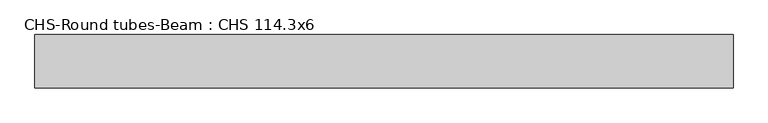
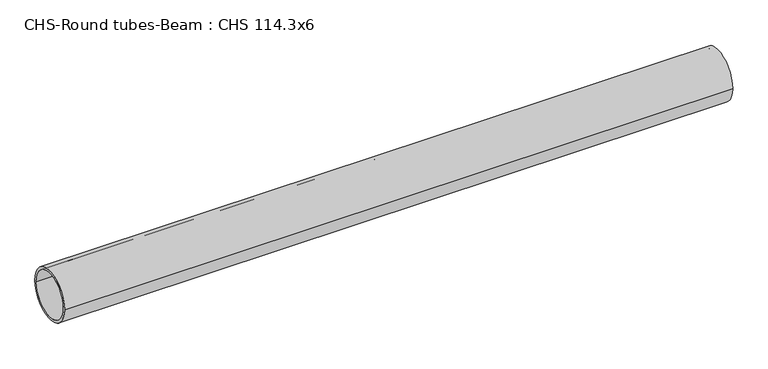
"""IFC4 building model written with IfcOpenShell, lengths in millimetres: beam geometry, CHS-Round tubes-Beam : CHS 114.3x6."""

from ifc_helpers import new_model, si_unit, point, frame, origin, origin_2d, place, context, project, spatial, circle_curve, trimmed, segment, composite_curve, outline, extrude, source, transform, mapped, element, save


def chs_round_tubes_beam_chs_114_3x6_5e2e6fdc(model_context):
    return source(origin(), model_context, "Body", "SweptSolid", [
        extrude(outline(composite_curve([segment(trimmed(circle_curve(origin_2d(), 57.15), [point((57.15, 0.0))], [point((-57.15, 0.0))], False, "CARTESIAN"), True, "CONTINUOUS"), segment(trimmed(circle_curve(origin_2d(), 57.15), [point((-57.15, 0.0))], [point((57.15, 0.0))], False, "CARTESIAN"), True, "CONTINUOUS")], self_intersect=False), holes=[composite_curve([segment(trimmed(circle_curve(origin_2d(), 51.15), [point((51.15, 0.0))], [point((-51.15, 0.0))], True, "CARTESIAN"), True, "CONTINUOUS"), segment(trimmed(circle_curve(origin_2d(), 51.15), [point((-51.15, 0.0))], [point((51.15, 0.0))], True, "CARTESIAN"), True, "CONTINUOUS")], self_intersect=False)]), frame((-758.3073556, 0.0, 0.0), z_axis=(1.0, 0.0, 0.0), x_axis=(0.0, 1.0, 0.0)), (0.0, 0.0, 1.0), 1489.3271145),
    ])


if __name__ == "__main__":
    model = new_model("IFC4")
    model_context = context("Model", 3, world=origin())
    ifc_project = project(units=[si_unit("LENGTHUNIT", "METRE", prefix="MILLI")], contexts=[model_context])
    site = spatial("IfcSite", under=ifc_project)
    building = spatial("IfcBuilding", under=site)
    placement = place(None, origin())
    chs_round_tubes_beam_chs_114_3x6_shape = chs_round_tubes_beam_chs_114_3x6_5e2e6fdc(model_context)
    element("IfcBeam", 1, ObjectType="CHS-Round tubes-Beam : CHS 114.3x6", at=placement, inside=building, context=model_context, shape_type="MappedRepresentation", body=[
        mapped(chs_round_tubes_beam_chs_114_3x6_shape, transform((0.0, 0.0, 0.0), x_axis=(1.0, 0.0, 0.0), y_axis=(0.0, 1.0, 0.0), z_axis=(0.0, 0.0, 1.0))),
    ])
    save(model, "model.ifc")
